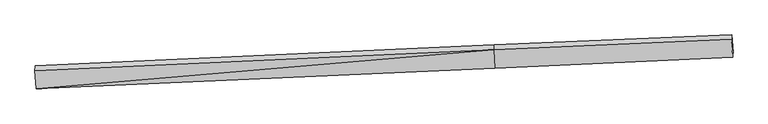
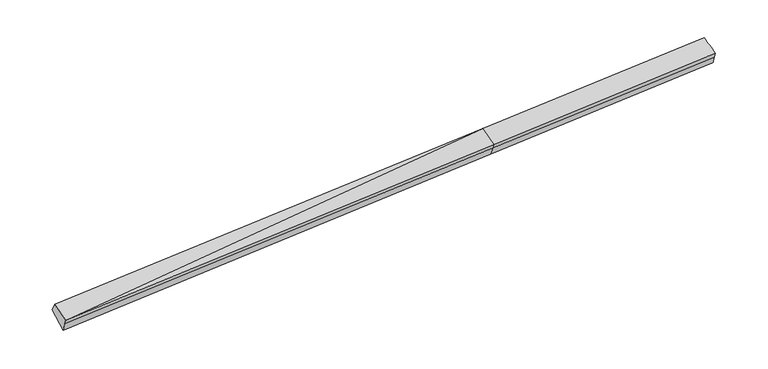
"""IFC4 building model written with IfcOpenShell, lengths in millimetres: proxy geometry."""

import ifcopenshell
import ifcopenshell.guid

model = None  # the IFC model being written
_history = None  # IfcOwnerHistory: only IFC2X3 demands one
_inside = {}  # id of a spatial element -> (the spatial element, [elements in it])
_under = {}  # id of a project, library or spatial element -> (it, [spatial elements below it])
_declared = {}  # id of a project -> (the project, [libraries it declares])
_typed = {}  # id of a type object -> (the type object, [elements of that type])
_made_of = {}  # id of a material, layer set ... -> (it, [elements and type objects made of it])


def new_model(schema):
    """Start an empty IFC model of exactly this schema.

    Asked for "IFC4X3", IfcOpenShell would pick the latest addendum, in which some entities
    have other attributes; the version numbers below select the first issue.
    IFC2X3 requires an IfcOwnerHistory on every rooted entity: one is made here for all.
    """
    global model, _history
    if schema == "IFC4X3":
        model = ifcopenshell.file(schema_version=(4, 3, 0, 0))
    else:
        model = ifcopenshell.file(schema=schema)
    _inside.clear()
    _under.clear()
    _declared.clear()
    _typed.clear()
    _made_of.clear()
    _history = None
    if model.schema == "IFC2X3":
        org = make("IfcOrganization", Name="unknown")
        user = make(
            "IfcPersonAndOrganization",
            ThePerson=make("IfcPerson", FamilyName="unknown"),
            TheOrganization=org,
        )
        app = make(
            "IfcApplication",
            ApplicationDeveloper=org,
            Version="unknown",
            ApplicationFullName="unknown",
            ApplicationIdentifier="unknown",
        )
        _history = make(
            "IfcOwnerHistory",
            OwningUser=user,
            OwningApplication=app,
            ChangeAction="ADDED",
            CreationDate=0,
        )
    return model


def make(cls, **values):
    """One entity of the class cls with the attributes given. An attribute that is None is left unset."""
    return model.create_entity(
        cls, **{name: value for name, value in values.items() if value is not None}
    )


def rooted(cls, **values):
    """An entity with a GlobalId (a new one), such as an element, a storey or a relation."""
    return make(cls, GlobalId=ifcopenshell.guid.new(), OwnerHistory=_history, **values)


def si_unit(unit_type, name, prefix=None):
    """IfcSIUnit, for example si_unit("LENGTHUNIT", "METRE", prefix="MILLI")."""
    return make("IfcSIUnit", UnitType=unit_type, Prefix=prefix, Name=name)


def assignment(units):
    """IfcUnitAssignment: the units of a project."""
    return None if units is None else make("IfcUnitAssignment", Units=units)


def point(xyz):
    """IfcCartesianPoint."""
    return None if xyz is None else make("IfcCartesianPoint", Coordinates=xyz)


def direction(xyz):
    """IfcDirection."""
    return None if xyz is None else make("IfcDirection", DirectionRatios=xyz)


def frame(location, z_axis=None, x_axis=None):
    """IfcAxis2Placement3D, a coordinate frame: its origin and axes. An axis left out is left unset."""
    return make(
        "IfcAxis2Placement3D",
        Location=point(location),
        Axis=direction(z_axis),
        RefDirection=direction(x_axis),
    )


def origin():
    """The frame at (0, 0, 0) with its axes left unset."""
    return frame((0.0, 0.0, 0.0))


def place(relative_to, where):
    """IfcLocalPlacement: puts the frame where relative to a parent placement (None: the world)."""
    return make(
        "IfcLocalPlacement", PlacementRelTo=relative_to, RelativePlacement=where
    )


def context(
    kind, dimensions, precision=None, world=None, true_north=None, identifier=None
):
    """IfcGeometricRepresentationContext, for example the 3D "Model" context."""
    return make(
        "IfcGeometricRepresentationContext",
        ContextIdentifier=identifier,
        ContextType=kind,
        CoordinateSpaceDimension=dimensions,
        Precision=precision,
        WorldCoordinateSystem=world,
        TrueNorth=true_north,
    )


def project(units=None, contexts=None):
    """IfcProject with its units and contexts."""
    return rooted(
        "IfcProject",
        Name="project",
        RepresentationContexts=contexts,
        UnitsInContext=assignment(units),
    )


def spatial(cls, under=None, at=None, **own):
    """A site, building, storey or space (cls), placed at a placement, below another one or the project."""
    s = rooted(cls, ObjectPlacement=at, **own)
    if under is not None:
        _under.setdefault(under.id(), (under, []))[1].append(s)
    return s


def shape(context_of_items, identifier, shape_type, items):
    """IfcShapeRepresentation: the items that make up one representation, for example the "Body"."""
    return make(
        "IfcShapeRepresentation",
        ContextOfItems=context_of_items,
        RepresentationIdentifier=identifier,
        RepresentationType=shape_type,
        Items=items,
    )


def source(mapping_origin, context_of_items, identifier, shape_type, items):
    """IfcRepresentationMap: a shape defined once, which mapped items show again and again."""
    return make(
        "IfcRepresentationMap",
        MappingOrigin=mapping_origin,
        MappedRepresentation=shape(context_of_items, identifier, shape_type, items),
    )


def transform(
    local_origin,
    x_axis=None,
    y_axis=None,
    z_axis=None,
    scale=None,
    scale2=None,
    scale3=None,
    uniform=True,
):
    """IfcCartesianTransformationOperator3D, or its non-uniform kind. x_axis, y_axis, z_axis: its Axis1, 2, 3."""
    if uniform:
        return make(
            "IfcCartesianTransformationOperator3D",
            Axis1=direction(x_axis),
            Axis2=direction(y_axis),
            LocalOrigin=point(local_origin),
            Scale=scale,
            Axis3=direction(z_axis),
        )
    return make(
        "IfcCartesianTransformationOperator3DnonUniform",
        Axis1=direction(x_axis),
        Axis2=direction(y_axis),
        LocalOrigin=point(local_origin),
        Scale=scale,
        Axis3=direction(z_axis),
        Scale2=scale2,
        Scale3=scale3,
    )


def mapped(mapping_source, mapping_target):
    """IfcMappedItem: shows the shape of a source again, moved by a transform."""
    return make(
        "IfcMappedItem", MappingSource=mapping_source, MappingTarget=mapping_target
    )


def made_of(thing, what):
    """Note that an element or type object is made of a material, layer set ...; save() writes the relation."""
    if what is not None:
        _made_of.setdefault(what.id(), (what, []))[1].append(thing)
    return thing


def element(
    cls,
    number,
    at=None,
    inside=None,
    cuts=None,
    type_object=None,
    material=None,
    context=None,
    identifier="Body",
    shape_type=None,
    held_by="IfcProductDefinitionShape",
    body=None,
    shapes=None,
    **own,
):
    """One element of the class cls, such as IfcWall. Its Tag is "e" and its number.

    at: its placement. inside: the storey or other place that contains it. cuts: it is an
    opening in that element (IfcRelVoidsElement). A single representation is given by context,
    identifier, shape_type and body (its items); several are given by shapes. held_by: the class
    of the entity that holds the representations. save() writes the other relations.
    """
    e = rooted(cls, Tag="e%d" % number, ObjectPlacement=at, **own)
    if body is not None:
        shapes = [shape(context, identifier, shape_type, body)]
    if shapes is not None:
        e.Representation = make(held_by, Representations=shapes)
    if inside is not None:
        _inside.setdefault(inside.id(), (inside, []))[1].append(e)
    if cuts is not None:
        rooted(
            "IfcRelVoidsElement", RelatingBuildingElement=cuts, RelatedOpeningElement=e
        )
    if type_object is not None:
        _typed.setdefault(type_object.id(), (type_object, []))[1].append(e)
    return made_of(e, material)


def aggregate(whole, parts):
    """IfcRelAggregates: a whole, such as a stair, and the parts it consists of."""
    return rooted("IfcRelAggregates", RelatingObject=whole, RelatedObjects=parts)


def save(model, path):
    """Write the relations noted so far, then the file.

    IfcRelAggregates (storeys below a building ...), IfcRelContainedInSpatialStructure (elements
    in a storey), IfcRelDefinesByType, IfcRelAssociatesMaterial and IfcRelDeclares: one each for
    every whole, place, type object, material and project.
    """
    for whole, parts in _under.values():
        aggregate(whole, parts)
    for where, things in _inside.values():
        rooted(
            "IfcRelContainedInSpatialStructure",
            RelatedElements=things,
            RelatingStructure=where,
        )
    for kind, things in _typed.values():
        rooted("IfcRelDefinesByType", RelatedObjects=things, RelatingType=kind)
    for what, things in _made_of.values():
        rooted("IfcRelAssociatesMaterial", RelatedObjects=things, RelatingMaterial=what)
    for by, libraries in _declared.values():
        rooted("IfcRelDeclares", RelatingContext=by, RelatedDefinitions=libraries)
    model.write(path)


def plane_surface(at):
    """IfcPlane: the flat surface through the origin of the frame at, square to its z axis."""
    return make("IfcPlane", Position=at)


def spline_surface(u_degree, v_degree, points, u_multiplicities, v_multiplicities, u_knots, v_knots, weights=None):
    """IfcBSplineSurfaceWithKnots; with weights, IfcRationalBSplineSurfaceWithKnots. points: one row for each step in u."""
    own = dict(
        UDegree=u_degree,
        VDegree=v_degree,
        ControlPointsList=[[point(p) for p in row] for row in points],
        SurfaceForm="UNSPECIFIED",
        UClosed=False,
        VClosed=False,
        SelfIntersect=False,
        UMultiplicities=u_multiplicities,
        VMultiplicities=v_multiplicities,
        UKnots=u_knots,
        VKnots=v_knots,
        KnotSpec="UNSPECIFIED",
    )
    if weights is None:
        return make("IfcBSplineSurfaceWithKnots", **own)
    return make("IfcRationalBSplineSurfaceWithKnots", WeightsData=weights, **own)


def advanced_brep(points, edges, surfaces, faces):
    """IfcAdvancedBrep: a solid bounded by faces that lie on surfaces and meet in shared edges.

    An edge is (start, end): straight between two places in points (the first is 0);
    or (start, end, curve); or (start, end, curve, False) where it runs against its curve.
    A face is (place in surfaces, loops), or (place, loops, False) where it looks against
    its surface's normal. A loop lists edges by number (the first is 1), with a minus sign
    where the edge is run from its end to its start. The first loop is the outer one.
    """
    corners = [point(p) for p in points]
    vertices = [make("IfcVertexPoint", VertexGeometry=c) for c in corners]
    made = []
    for start, end, *more in edges:
        made.append(
            make(
                "IfcEdgeCurve",
                EdgeStart=vertices[start],
                EdgeEnd=vertices[end],
                EdgeGeometry=more[0] if more else make("IfcPolyline", Points=[corners[start], corners[end]]),
                SameSense=more[1] if len(more) > 1 else True,
            )
        )
    hull = []
    for where, loops, *sense in faces:
        bounds = []
        for j, loop in enumerate(loops):
            ring = [make("IfcOrientedEdge", EdgeElement=made[abs(k) - 1], Orientation=k > 0) for k in loop]
            bounds.append(
                make(
                    "IfcFaceOuterBound" if j == 0 else "IfcFaceBound",
                    Bound=make("IfcEdgeLoop", EdgeList=ring),
                    Orientation=True,
                )
            )
        hull.append(make("IfcAdvancedFace", Bounds=bounds, FaceSurface=surfaces[where], SameSense=sense[0] if sense else True))
    return make("IfcAdvancedBrep", Outer=make("IfcClosedShell", CfsFaces=hull))


def generic_models_bb8e00d7(model_context):
    return source(origin(), model_context, "Body", "AdvancedBrep", [
        advanced_brep(
        [(-13668.1423688, -2557.3985729, 1416.3715014), (-13662.364466, -2490.9569676, 1229.0954481), (2623.6223991, -1754.2223953, 1982.0785683), (2617.701962, -1822.303039, 2173.9745075), (-13707.8796446, -1906.5391219, 1661.9447741), (2578.2499011, -1176.1151416, 2417.7851743), (-13700.1067758, -1737.2266646, 1334.7953937), (2584.4459449, -993.1297485, 2111.8169277), (-13652.6259801, -2352.1175997, 888.1784766), (2631.9267406, -1608.0206836, 1665.2000106), (11021.4420613, -641.5504157, 2518.0812378), (11015.3170857, -795.5824259, 2795.2708419), (11053.8768423, -1440.410743, 2569.4475426), (11059.9458438, -1370.6217184, 2372.7362649), (11068.922857, -1256.4413508, 2071.4643207)],
        [
            (0, 1),
            (1, 2),
            (2, 3),
            (3, 0),
            (4, 0),
            (0, 5),
            (5, 4),
            (6, 4),
            (5, 7),
            (7, 6),
            (8, 6),
            (7, 9),
            (9, 8),
            (1, 8),
            (9, 2),
            (10, 11),
            (11, 12),
            (12, 13),
            (13, 14),
            (14, 10),
            (3, 5),
            (5, 11),
            (10, 7),
            (3, 12),
            (2, 13),
            (9, 14),
        ],
        [
            plane_surface(frame((-13665.2534174, -2524.1777702, 1322.7334747), z_axis=(0.057947223788650526, -0.9414238739387398, -0.33220958570361), x_axis=(0.029064356945396465, 0.3342185869114926, -0.9420473445205585))),
            plane_surface(frame((-13688.0110067, -2231.9688474, 1539.1581377), z_axis=(-0.027487519086793505, -0.35434963461351177, 0.93470892407408), x_axis=(0.05702981906392082, -0.93409515339254, -0.3524398447197816))),
            spline_surface(1, 1, [[(-13700.1067758, -1737.2266646, 1334.7953937), (2584.4459449, -993.1297485, 2111.8169277)], [(-13707.8796446, -1906.5391219, 1661.9447741), (2578.2499011, -1176.1151416, 2417.7851743)]], [2, 2], [2, 2], [0.0, 1.0], [0.0, 1.0]),
            plane_surface(frame((-13676.366378, -2044.6721321, 1111.4869351), z_axis=(0.011705003896778622, 0.5882267138247808, -0.808611356602587), x_axis=(-0.06235544806843568, 0.8075222665411308, 0.586531829602162))),
            spline_surface(1, 1, [[(-13662.364466, -2490.9569676, 1229.0954481), (2623.6223991, -1754.2223953, 1982.0785683)], [(-13652.6259801, -2352.1175997, 888.1784766), (2631.9267406, -1608.0206836, 1665.2000106)]], [2, 2], [2, 2], [0.0, 1.0], [0.0, 1.0]),
            plane_surface(frame((11043.900938, -1100.9213308, 2465.4000416), z_axis=(0.9979840750621031, 0.043491387124549453, 0.04621996504132635), x_axis=(-0.019311271365512334, -0.4856434016989606, 0.8739436830737491))),
            plane_surface(frame((-13678.2238471, -2208.8477853, 1306.0771188), z_axis=(-0.997984075062104, -0.04349138712453993, -0.04621996504131472), x_axis=(-0.029064356945389367, -0.3342185869114913, 0.9420473445205592))),
            plane_surface(frame((-13668.1423688, -2557.3985729, 1416.3715014), z_axis=(-0.02748751908679336, -0.35434963461351326, 0.9347089240740795), x_axis=(0.05702981906393038, -0.934095153392539, -0.3524398447197826))),
            spline_surface(1, 1, [[(2584.4459449, -993.1297485, 2111.8169277), (11021.4420613, -641.5504157, 2518.0812378)], [(2578.2499011, -1176.1151416, 2417.7851743), (11015.3170857, -795.5824259, 2795.2708419)]], [2, 2], [2, 2], [0.0, 1.0], [0.0, 1.0]),
            spline_surface(1, 1, [[(2578.2499011, -1176.1151416, 2417.7851743), (11015.3170857, -795.5824259, 2795.2708419)], [(2617.701962, -1822.303039, 2173.9745075), (11053.8768423, -1440.410743, 2569.4475426)]], [2, 2], [2, 2], [0.0, 1.0], [0.0, 1.0]),
            plane_surface(frame((2620.6621805, -1788.2627172, 2078.0265379), z_axis=(0.058189144987023954, -0.9414129528991224, -0.3321982473154157), x_axis=(0.02906435694536565, 0.33421858691149225, -0.9420473445205595))),
            spline_surface(1, 1, [[(2623.6223991, -1754.2223953, 1982.0785683), (11059.9458438, -1370.6217184, 2372.7362649)], [(2631.9267406, -1608.0206836, 1665.2000106), (11068.922857, -1256.4413508, 2071.4643207)]], [2, 2], [2, 2], [0.0, 1.0], [0.0, 1.0]),
            plane_surface(frame((2608.1863428, -1300.5752161, 1888.5084692), z_axis=(0.014413743467138317, 0.5883427688617943, -0.8084831663846199), x_axis=(-0.062355448068435314, 0.8075222665411287, 0.5865318296021649))),
        ],
        [
            (0, [[1, 2, 3, 4]]),
            (1, [[5, 6, 7]]),
            (2, [[8, -7, 9, 10]]),
            (3, [[11, -10, 12, 13]]),
            (4, [[14, -13, 15, -2]]),
            (5, [[16, 17, 18, 19, 20]]),
            (6, [[-1, -5, -8, -11, -14]]),
            (7, [[21, -6, -4]]),
            (8, [[-9, 22, -16, 23]]),
            (9, [[-21, 24, -17, -22]]),
            (10, [[-3, 25, -18, -24]]),
            (11, [[-15, 26, -19, -25]]),
            (12, [[-12, -23, -20, -26]]),
        ],
    ),
    ])


if __name__ == "__main__":
    model = new_model("IFC4")
    model_context = context("Model", 3, world=origin())
    ifc_project = project(units=[si_unit("LENGTHUNIT", "METRE", prefix="MILLI")], contexts=[model_context])
    site = spatial("IfcSite", under=ifc_project)
    building = spatial("IfcBuilding", under=site)
    placement = place(None, origin())
    generic_models_shape = generic_models_bb8e00d7(model_context)
    element("IfcBuildingElementProxy", 1, Name="Generic Models", at=placement, inside=building, context=model_context, shape_type="MappedRepresentation", body=[
        mapped(generic_models_shape, transform((0.0, 0.0, 0.0), x_axis=(1.0, 0.0, 0.0), y_axis=(0.0, 1.0, 0.0), z_axis=(0.0, 0.0, 1.0))),
    ])
    save(model, "model.ifc")
